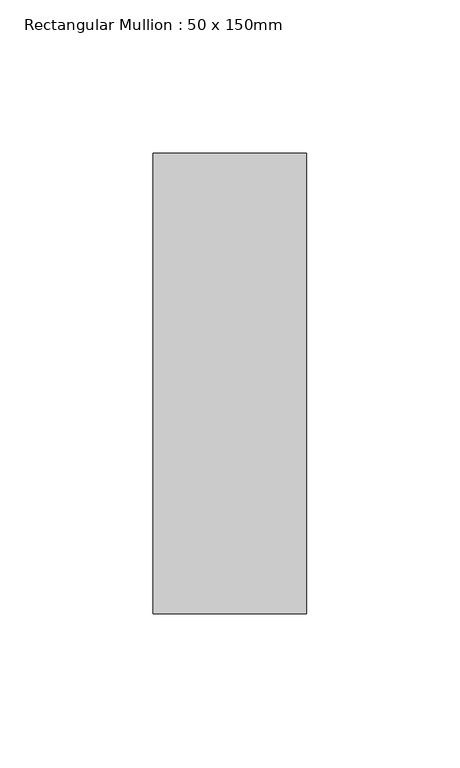
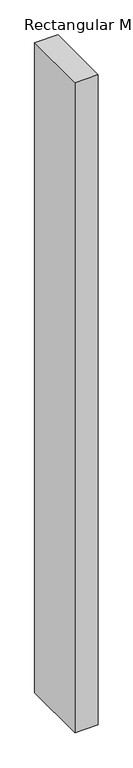
"""IFC4 building model written with IfcOpenShell, lengths in millimetres: member geometry, Rectangular Mullion : 50 x 150mm."""

from ifc_helpers import new_model, si_unit, frame, origin, place, context, project, spatial, polyline, outline, extrude, source, transform, mapped, element, save


def rectangular_mullion_50_x_150mm_1abe8832(model_context):
    return source(origin(), model_context, "Body", "SweptSolid", [
        extrude(outline(polyline([(25.0, 75.0), (25.0, -75.0), (-25.0, -75.0), (-25.0, 75.0), (25.0, 75.0)])), frame((0.0, 0.0, -1477.9872634), z_axis=(0.0, 0.0, 1.0), x_axis=(1.0, 0.0, 0.0)), (0.0, 0.0, 1.0), 1477.9872634),
    ])


if __name__ == "__main__":
    model = new_model("IFC4")
    model_context = context("Model", 3, world=origin())
    ifc_project = project(units=[si_unit("LENGTHUNIT", "METRE", prefix="MILLI")], contexts=[model_context])
    site = spatial("IfcSite", under=ifc_project)
    building = spatial("IfcBuilding", under=site)
    placement = place(None, origin())
    rectangular_mullion_50_x_150mm_shape = rectangular_mullion_50_x_150mm_1abe8832(model_context)
    element("IfcMember", 1, ObjectType="Rectangular Mullion : 50 x 150mm", at=placement, inside=building, context=model_context, shape_type="MappedRepresentation", body=[
        mapped(rectangular_mullion_50_x_150mm_shape, transform((0.0, 0.0, 0.0), x_axis=(1.0, 0.0, 0.0), y_axis=(0.0, 1.0, 0.0), z_axis=(0.0, 0.0, 1.0))),
    ])
    save(model, "model.ifc")
